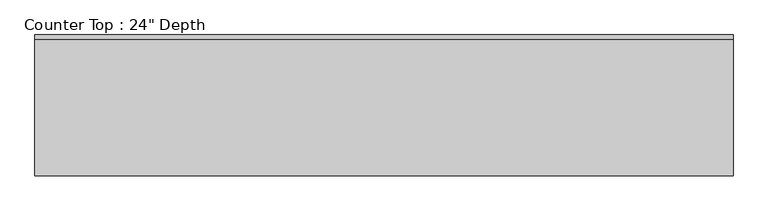
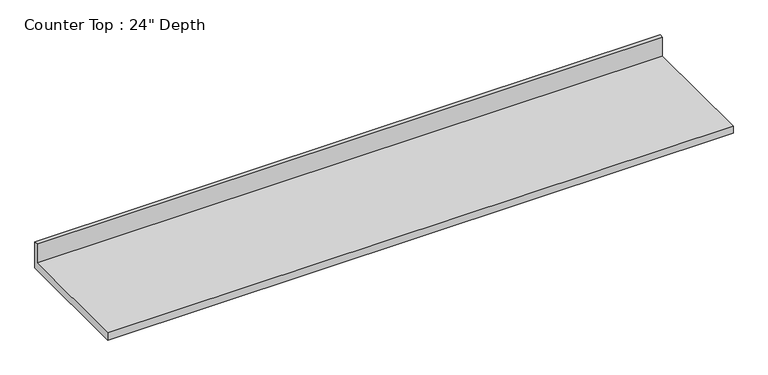
"""IFC4 building model written with IfcOpenShell, lengths in millimetres: furniture geometry."""

from ifc_helpers import new_model, si_unit, frame, origin, place, context, project, spatial, polyline, outline, extrude, source, transform, mapped, element, save


def furniture_827eb91d(model_context):
    return source(origin(), model_context, "Body", "SweptSolid", [
        extrude(outline(polyline([(0.0, 1016.0), (0.0, 876.3), (-635.0, 876.3), (-635.0, 914.4), (-19.05, 914.4), (-19.05, 1016.0), (0.0, 1016.0)])), frame((-1200.4622951, 0.0, 0.0), z_axis=(1.0, 0.0, 0.0), x_axis=(0.0, 1.0, 0.0)), (0.0, 0.0, 1.0), 3149.6),
    ])


if __name__ == "__main__":
    model = new_model("IFC4")
    model_context = context("Model", 3, world=origin())
    ifc_project = project(units=[si_unit("LENGTHUNIT", "METRE", prefix="MILLI")], contexts=[model_context])
    site = spatial("IfcSite", under=ifc_project)
    building = spatial("IfcBuilding", under=site)
    placement = place(None, origin())
    furniture_shape = furniture_827eb91d(model_context)
    element("IfcFurniture", 1, ObjectType="Counter Top : 24\" Depth", at=placement, inside=building, context=model_context, shape_type="MappedRepresentation", body=[
        mapped(furniture_shape, transform((0.0, 0.0, 0.0), x_axis=(1.0, 0.0, 0.0), y_axis=(0.0, 1.0, 0.0), z_axis=(0.0, 0.0, 1.0))),
    ])
    save(model, "model.ifc")
